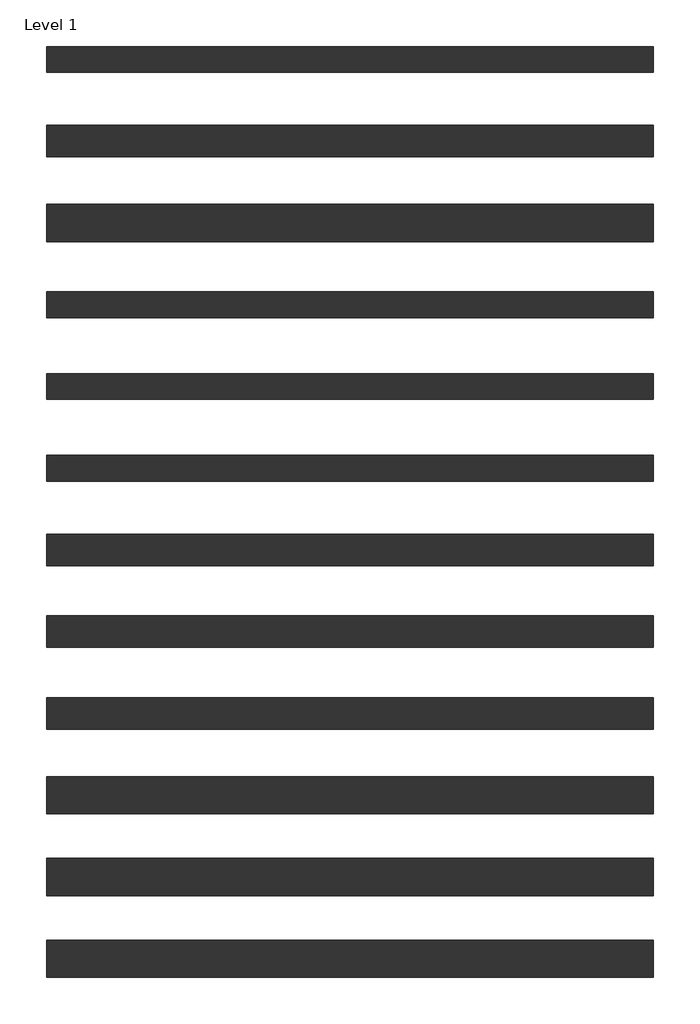
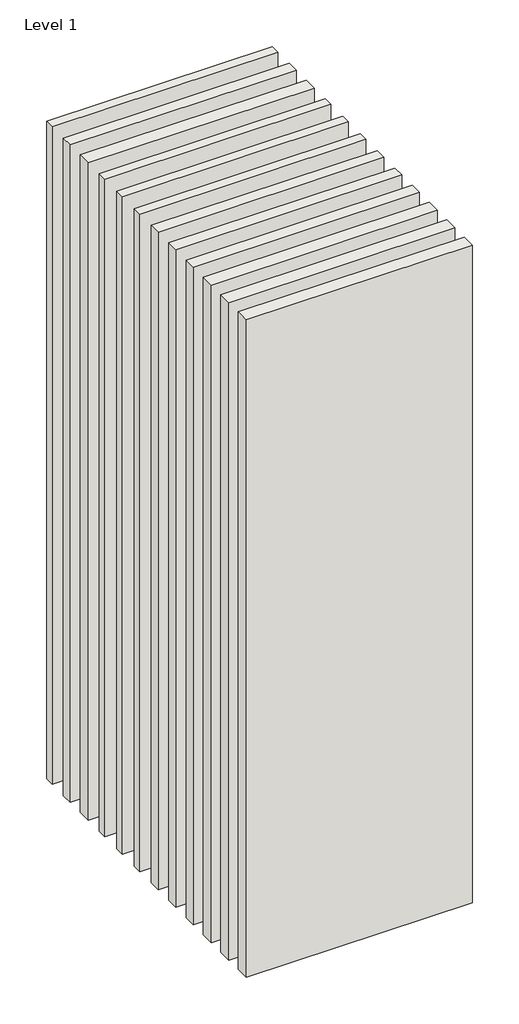
# One storey: 12 walls.
"""IFC4 building model written with IfcOpenShell, lengths in millimetres."""

from ifc_helpers import new_model, si_unit, origin, origin_with_axes, place, context, project, spatial, polyline, outline, extrude, element, save

model = new_model("IFC4")

# Units and contexts
model_context = context("Model", 3, world=origin())
ifc_project = project(units=[si_unit("LENGTHUNIT", "METRE", prefix="MILLI")], contexts=[model_context])

# Site, building, storey
site = spatial("IfcSite", under=ifc_project)
building = spatial("IfcBuilding", under=site)
storey = spatial("IfcBuildingStorey", under=building, Name="Level 1", Elevation=0.0)

# Walls
placement = place(None, origin())
element("IfcWall", 1, at=placement, inside=storey, context=model_context, shape_type="SweptSolid", body=[
    extrude(outline(polyline([(-16904.1464237, 3682.5198817), (-19504.1464237, 3682.5198817), (-19504.1464237, 3792.5198817), (-16904.1464237, 3792.5198817), (-16904.1464237, 3682.5198817)])), origin_with_axes(), (0.0, 0.0, 1.0), 8000.0),
])
element("IfcWall", 2, at=placement, inside=storey, context=model_context, shape_type="SweptSolid", body=[
    extrude(outline(polyline([(-16904.1464237, 3320.0198817), (-19504.1464237, 3320.0198817), (-19504.1464237, 3455.0198817), (-16904.1464237, 3455.0198817), (-16904.1464237, 3320.0198817)])), origin_with_axes(), (0.0, 0.0, 1.0), 8000.0),
])
element("IfcWall", 3, at=placement, inside=storey, context=model_context, shape_type="SweptSolid", body=[
    extrude(outline(polyline([(-16904.1464237, 2957.5198817), (-19504.1464237, 2957.5198817), (-19504.1464237, 3117.5198817), (-16904.1464237, 3117.5198817), (-16904.1464237, 2957.5198817)])), origin_with_axes(), (0.0, 0.0, 1.0), 8000.0),
])
element("IfcWall", 4, at=placement, inside=storey, context=model_context, shape_type="SweptSolid", body=[
    extrude(outline(polyline([(-16904.1464237, 2632.5198817), (-19504.1464237, 2632.5198817), (-19504.1464237, 2742.5198817), (-16904.1464237, 2742.5198817), (-16904.1464237, 2632.5198817)])), origin_with_axes(), (0.0, 0.0, 1.0), 8000.0),
])
element("IfcWall", 5, at=placement, inside=storey, context=model_context, shape_type="SweptSolid", body=[
    extrude(outline(polyline([(-16904.1464237, 2282.5198817), (-19504.1464237, 2282.5198817), (-19504.1464237, 2392.5198817), (-16904.1464237, 2392.5198817), (-16904.1464237, 2282.5198817)])), origin_with_axes(), (0.0, 0.0, 1.0), 8000.0),
])
element("IfcWall", 6, at=placement, inside=storey, context=model_context, shape_type="SweptSolid", body=[
    extrude(outline(polyline([(-16904.1464237, 1932.5198817), (-19504.1464237, 1932.5198817), (-19504.1464237, 2042.5198817), (-16904.1464237, 2042.5198817), (-16904.1464237, 1932.5198817)])), origin_with_axes(), (0.0, 0.0, 1.0), 8000.0),
])
element("IfcWall", 7, at=placement, inside=storey, context=model_context, shape_type="SweptSolid", body=[
    extrude(outline(polyline([(-16904.1464237, 1570.0198817), (-19504.1464237, 1570.0198817), (-19504.1464237, 1705.0198817), (-16904.1464237, 1705.0198817), (-16904.1464237, 1570.0198817)])), origin_with_axes(), (0.0, 0.0, 1.0), 8000.0),
])
element("IfcWall", 8, at=placement, inside=storey, context=model_context, shape_type="SweptSolid", body=[
    extrude(outline(polyline([(-16904.1464237, 1220.0198817), (-19504.1464237, 1220.0198817), (-19504.1464237, 1355.0198817), (-16904.1464237, 1355.0198817), (-16904.1464237, 1220.0198817)])), origin_with_axes(), (0.0, 0.0, 1.0), 8000.0),
])
element("IfcWall", 9, at=placement, inside=storey, context=model_context, shape_type="SweptSolid", body=[
    extrude(outline(polyline([(-16904.1464237, 870.0198817), (-19504.1464237, 870.0198817), (-19504.1464237, 1005.0198817), (-16904.1464237, 1005.0198817), (-16904.1464237, 870.0198817)])), origin_with_axes(), (0.0, 0.0, 1.0), 8000.0),
])
element("IfcWall", 10, at=placement, inside=storey, context=model_context, shape_type="SweptSolid", body=[
    extrude(outline(polyline([(-16904.1464237, 507.5198817), (-19504.1464237, 507.5198817), (-19504.1464237, 667.5198817), (-16904.1464237, 667.5198817), (-16904.1464237, 507.5198817)])), origin_with_axes(), (0.0, 0.0, 1.0), 8000.0),
])
element("IfcWall", 11, at=placement, inside=storey, context=model_context, shape_type="SweptSolid", body=[
    extrude(outline(polyline([(-16904.1464237, 157.5198817), (-19504.1464237, 157.5198817), (-19504.1464237, 317.5198817), (-16904.1464237, 317.5198817), (-16904.1464237, 157.5198817)])), origin_with_axes(), (0.0, 0.0, 1.0), 8000.0),
])
element("IfcWall", 12, at=placement, inside=storey, context=model_context, shape_type="SweptSolid", body=[
    extrude(outline(polyline([(-16904.1464237, -192.4801183), (-19504.1464237, -192.4801183), (-19504.1464237, -32.4801183), (-16904.1464237, -32.4801183), (-16904.1464237, -192.4801183)])), origin_with_axes(), (0.0, 0.0, 1.0), 8000.0),
])

save(model, "model.ifc")
